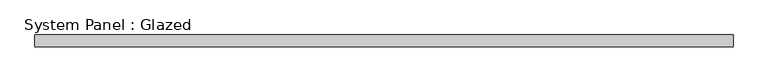
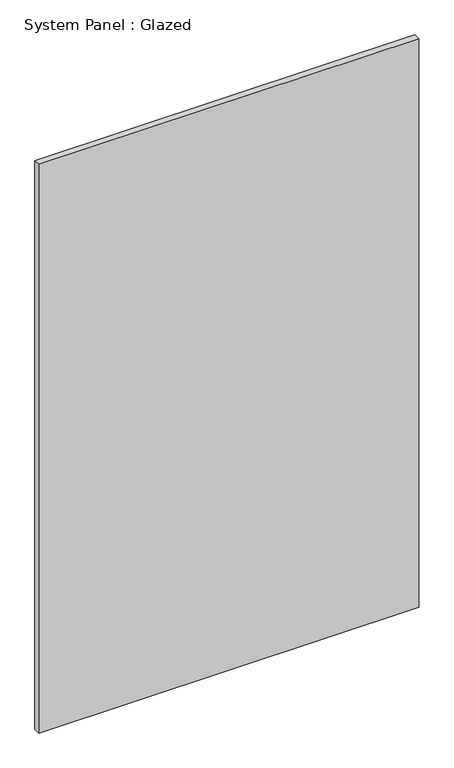
"""IFC4 building model written with IfcOpenShell, lengths in millimetres: plate geometry, System Panel : Glazed."""

from ifc_helpers import new_model, si_unit, origin, origin_with_axes, place, context, project, spatial, polyline, outline, extrude, source, transform, mapped, element, save


def system_panel_glazed_e992054d(model_context):
    return source(origin(), model_context, "Body", "SweptSolid", [
        extrude(outline(polyline([(735.0000001, 24.5), (-735.0000001, 24.5), (-735.0000001, 49.5), (735.0000001, 49.5), (735.0000001, 24.5)])), origin_with_axes(), (0.0, 0.0, 1.0), 2325.0),
    ])


if __name__ == "__main__":
    model = new_model("IFC4")
    model_context = context("Model", 3, world=origin())
    ifc_project = project(units=[si_unit("LENGTHUNIT", "METRE", prefix="MILLI")], contexts=[model_context])
    site = spatial("IfcSite", under=ifc_project)
    building = spatial("IfcBuilding", under=site)
    placement = place(None, origin())
    system_panel_glazed_shape = system_panel_glazed_e992054d(model_context)
    element("IfcPlate", 1, ObjectType="System Panel : Glazed", at=placement, inside=building, context=model_context, shape_type="MappedRepresentation", body=[
        mapped(system_panel_glazed_shape, transform((0.0, 0.0, 0.0), x_axis=(1.0, 0.0, 0.0), y_axis=(0.0, 1.0, 0.0), z_axis=(0.0, 0.0, 1.0))),
    ])
    save(model, "model.ifc")
